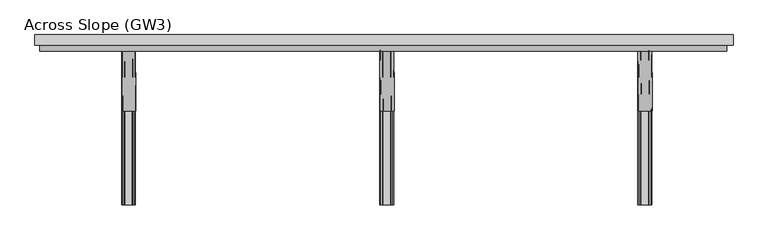
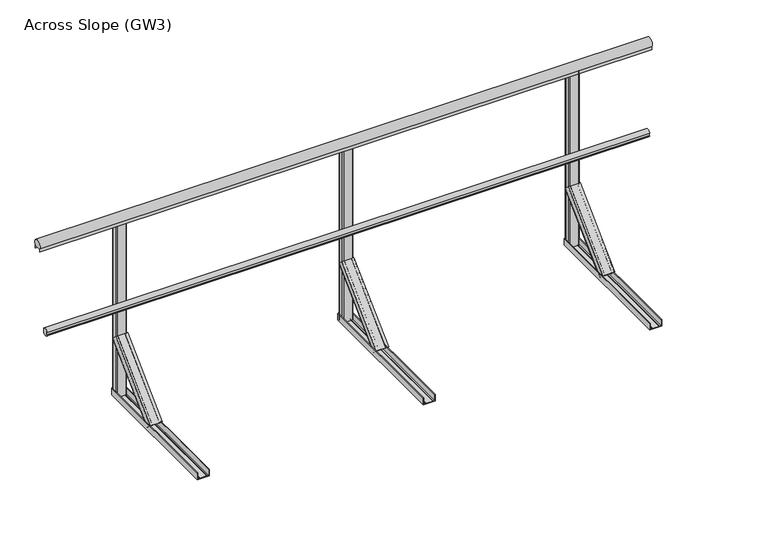
"""IFC4 building model written with IfcOpenShell, lengths in millimetres: railing geometry, Across Slope (GW3)."""

import ifcopenshell
import ifcopenshell.guid

model = None  # the IFC model being written
_history = None  # IfcOwnerHistory: only IFC2X3 demands one
_inside = {}  # id of a spatial element -> (the spatial element, [elements in it])
_under = {}  # id of a project, library or spatial element -> (it, [spatial elements below it])
_declared = {}  # id of a project -> (the project, [libraries it declares])
_typed = {}  # id of a type object -> (the type object, [elements of that type])
_made_of = {}  # id of a material, layer set ... -> (it, [elements and type objects made of it])


def new_model(schema):
    """Start an empty IFC model of exactly this schema.

    Asked for "IFC4X3", IfcOpenShell would pick the latest addendum, in which some entities
    have other attributes; the version numbers below select the first issue.
    IFC2X3 requires an IfcOwnerHistory on every rooted entity: one is made here for all.
    """
    global model, _history
    if schema == "IFC4X3":
        model = ifcopenshell.file(schema_version=(4, 3, 0, 0))
    else:
        model = ifcopenshell.file(schema=schema)
    _inside.clear()
    _under.clear()
    _declared.clear()
    _typed.clear()
    _made_of.clear()
    _history = None
    if model.schema == "IFC2X3":
        org = make("IfcOrganization", Name="unknown")
        user = make(
            "IfcPersonAndOrganization",
            ThePerson=make("IfcPerson", FamilyName="unknown"),
            TheOrganization=org,
        )
        app = make(
            "IfcApplication",
            ApplicationDeveloper=org,
            Version="unknown",
            ApplicationFullName="unknown",
            ApplicationIdentifier="unknown",
        )
        _history = make(
            "IfcOwnerHistory",
            OwningUser=user,
            OwningApplication=app,
            ChangeAction="ADDED",
            CreationDate=0,
        )
    return model


def make(cls, **values):
    """One entity of the class cls with the attributes given. An attribute that is None is left unset."""
    return model.create_entity(
        cls, **{name: value for name, value in values.items() if value is not None}
    )


def rooted(cls, **values):
    """An entity with a GlobalId (a new one), such as an element, a storey or a relation."""
    return make(cls, GlobalId=ifcopenshell.guid.new(), OwnerHistory=_history, **values)


def si_unit(unit_type, name, prefix=None):
    """IfcSIUnit, for example si_unit("LENGTHUNIT", "METRE", prefix="MILLI")."""
    return make("IfcSIUnit", UnitType=unit_type, Prefix=prefix, Name=name)


def assignment(units):
    """IfcUnitAssignment: the units of a project."""
    return None if units is None else make("IfcUnitAssignment", Units=units)


def point(xyz):
    """IfcCartesianPoint."""
    return None if xyz is None else make("IfcCartesianPoint", Coordinates=xyz)


def direction(xyz):
    """IfcDirection."""
    return None if xyz is None else make("IfcDirection", DirectionRatios=xyz)


def frame(location, z_axis=None, x_axis=None):
    """IfcAxis2Placement3D, a coordinate frame: its origin and axes. An axis left out is left unset."""
    return make(
        "IfcAxis2Placement3D",
        Location=point(location),
        Axis=direction(z_axis),
        RefDirection=direction(x_axis),
    )


def frame_2d(location, x_axis=None):
    """IfcAxis2Placement2D, a coordinate frame in the plane: its origin and x axis."""
    return make(
        "IfcAxis2Placement2D", Location=point(location), RefDirection=direction(x_axis)
    )


def origin():
    """The frame at (0, 0, 0) with its axes left unset."""
    return frame((0.0, 0.0, 0.0))


def origin_with_axes():
    """The frame at (0, 0, 0) with the z axis (0, 0, 1) and the x axis (1, 0, 0) written out."""
    return frame((0.0, 0.0, 0.0), z_axis=(0.0, 0.0, 1.0), x_axis=(1.0, 0.0, 0.0))


def place(relative_to, where):
    """IfcLocalPlacement: puts the frame where relative to a parent placement (None: the world)."""
    return make(
        "IfcLocalPlacement", PlacementRelTo=relative_to, RelativePlacement=where
    )


def context(
    kind, dimensions, precision=None, world=None, true_north=None, identifier=None
):
    """IfcGeometricRepresentationContext, for example the 3D "Model" context."""
    return make(
        "IfcGeometricRepresentationContext",
        ContextIdentifier=identifier,
        ContextType=kind,
        CoordinateSpaceDimension=dimensions,
        Precision=precision,
        WorldCoordinateSystem=world,
        TrueNorth=true_north,
    )


def project(units=None, contexts=None):
    """IfcProject with its units and contexts."""
    return rooted(
        "IfcProject",
        Name="project",
        RepresentationContexts=contexts,
        UnitsInContext=assignment(units),
    )


def spatial(cls, under=None, at=None, **own):
    """A site, building, storey or space (cls), placed at a placement, below another one or the project."""
    s = rooted(cls, ObjectPlacement=at, **own)
    if under is not None:
        _under.setdefault(under.id(), (under, []))[1].append(s)
    return s


def polyline(points):
    """IfcPolyline through the points."""
    return make("IfcPolyline", Points=[point(p) for p in points])


def circle_curve(where, radius):
    """IfcCircle in the frame where."""
    return make("IfcCircle", Position=where, Radius=radius)


def trimmed(basis, trim1, trim2, sense, master):
    """IfcTrimmedCurve: the piece of a basis curve between two trims."""
    return make(
        "IfcTrimmedCurve",
        BasisCurve=basis,
        Trim1=trim1,
        Trim2=trim2,
        SenseAgreement=sense,
        MasterRepresentation=master,
    )


def segment(curve, same_sense, transition):
    """IfcCompositeCurveSegment."""
    return make(
        "IfcCompositeCurveSegment",
        Transition=transition,
        SameSense=same_sense,
        ParentCurve=curve,
    )


def composite_curve(segments, self_intersect=None):
    """IfcCompositeCurve: segments joined end to end."""
    return make("IfcCompositeCurve", Segments=segments, SelfIntersect=self_intersect)


def outline(outer, holes=None, kind="AREA"):
    """IfcArbitraryClosedProfileDef: a profile drawn as a closed curve; with holes, ...WithVoids."""
    if holes is None:
        return make("IfcArbitraryClosedProfileDef", ProfileType=kind, OuterCurve=outer)
    return make(
        "IfcArbitraryProfileDefWithVoids",
        ProfileType=kind,
        OuterCurve=outer,
        InnerCurves=holes,
    )


def extrude(swept, where, along, depth):
    """IfcExtrudedAreaSolid: the profile swept, set in the frame where, extruded along a direction by depth."""
    return make(
        "IfcExtrudedAreaSolid",
        SweptArea=swept,
        Position=where,
        ExtrudedDirection=direction(along),
        Depth=depth,
    )


def shape(context_of_items, identifier, shape_type, items):
    """IfcShapeRepresentation: the items that make up one representation, for example the "Body"."""
    return make(
        "IfcShapeRepresentation",
        ContextOfItems=context_of_items,
        RepresentationIdentifier=identifier,
        RepresentationType=shape_type,
        Items=items,
    )


def source(mapping_origin, context_of_items, identifier, shape_type, items):
    """IfcRepresentationMap: a shape defined once, which mapped items show again and again."""
    return make(
        "IfcRepresentationMap",
        MappingOrigin=mapping_origin,
        MappedRepresentation=shape(context_of_items, identifier, shape_type, items),
    )


def transform(
    local_origin,
    x_axis=None,
    y_axis=None,
    z_axis=None,
    scale=None,
    scale2=None,
    scale3=None,
    uniform=True,
):
    """IfcCartesianTransformationOperator3D, or its non-uniform kind. x_axis, y_axis, z_axis: its Axis1, 2, 3."""
    if uniform:
        return make(
            "IfcCartesianTransformationOperator3D",
            Axis1=direction(x_axis),
            Axis2=direction(y_axis),
            LocalOrigin=point(local_origin),
            Scale=scale,
            Axis3=direction(z_axis),
        )
    return make(
        "IfcCartesianTransformationOperator3DnonUniform",
        Axis1=direction(x_axis),
        Axis2=direction(y_axis),
        LocalOrigin=point(local_origin),
        Scale=scale,
        Axis3=direction(z_axis),
        Scale2=scale2,
        Scale3=scale3,
    )


def mapped(mapping_source, mapping_target):
    """IfcMappedItem: shows the shape of a source again, moved by a transform."""
    return make(
        "IfcMappedItem", MappingSource=mapping_source, MappingTarget=mapping_target
    )


def made_of(thing, what):
    """Note that an element or type object is made of a material, layer set ...; save() writes the relation."""
    if what is not None:
        _made_of.setdefault(what.id(), (what, []))[1].append(thing)
    return thing


def element(
    cls,
    number,
    at=None,
    inside=None,
    cuts=None,
    type_object=None,
    material=None,
    context=None,
    identifier="Body",
    shape_type=None,
    held_by="IfcProductDefinitionShape",
    body=None,
    shapes=None,
    **own,
):
    """One element of the class cls, such as IfcWall. Its Tag is "e" and its number.

    at: its placement. inside: the storey or other place that contains it. cuts: it is an
    opening in that element (IfcRelVoidsElement). A single representation is given by context,
    identifier, shape_type and body (its items); several are given by shapes. held_by: the class
    of the entity that holds the representations. save() writes the other relations.
    """
    e = rooted(cls, Tag="e%d" % number, ObjectPlacement=at, **own)
    if body is not None:
        shapes = [shape(context, identifier, shape_type, body)]
    if shapes is not None:
        e.Representation = make(held_by, Representations=shapes)
    if inside is not None:
        _inside.setdefault(inside.id(), (inside, []))[1].append(e)
    if cuts is not None:
        rooted(
            "IfcRelVoidsElement", RelatingBuildingElement=cuts, RelatedOpeningElement=e
        )
    if type_object is not None:
        _typed.setdefault(type_object.id(), (type_object, []))[1].append(e)
    return made_of(e, material)


def aggregate(whole, parts):
    """IfcRelAggregates: a whole, such as a stair, and the parts it consists of."""
    return rooted("IfcRelAggregates", RelatingObject=whole, RelatedObjects=parts)


def save(model, path):
    """Write the relations noted so far, then the file.

    IfcRelAggregates (storeys below a building ...), IfcRelContainedInSpatialStructure (elements
    in a storey), IfcRelDefinesByType, IfcRelAssociatesMaterial and IfcRelDeclares: one each for
    every whole, place, type object, material and project.
    """
    for whole, parts in _under.values():
        aggregate(whole, parts)
    for where, things in _inside.values():
        rooted(
            "IfcRelContainedInSpatialStructure",
            RelatedElements=things,
            RelatingStructure=where,
        )
    for kind, things in _typed.values():
        rooted("IfcRelDefinesByType", RelatedObjects=things, RelatingType=kind)
    for what, things in _made_of.values():
        rooted("IfcRelAssociatesMaterial", RelatedObjects=things, RelatingMaterial=what)
    for by, libraries in _declared.values():
        rooted("IfcRelDeclares", RelatingContext=by, RelatedDefinitions=libraries)
    model.write(path)


def plane_surface(at):
    """IfcPlane: the flat surface through the origin of the frame at, square to its z axis."""
    return make("IfcPlane", Position=at)


def extruded_surface(curve, direction_of_extrusion, depth):
    """IfcSurfaceOfLinearExtrusion: the curve pushed along a direction by depth."""
    return make(
        "IfcSurfaceOfLinearExtrusion",
        SweptCurve=make("IfcArbitraryOpenProfileDef", ProfileType="CURVE", Curve=curve),
        ExtrudedDirection=direction(direction_of_extrusion),
        Depth=depth,
    )


def advanced_brep(points, edges, surfaces, faces):
    """IfcAdvancedBrep: a solid bounded by faces that lie on surfaces and meet in shared edges.

    An edge is (start, end): straight between two places in points (the first is 0);
    or (start, end, curve); or (start, end, curve, False) where it runs against its curve.
    A face is (place in surfaces, loops), or (place, loops, False) where it looks against
    its surface's normal. A loop lists edges by number (the first is 1), with a minus sign
    where the edge is run from its end to its start. The first loop is the outer one.
    """
    corners = [point(p) for p in points]
    vertices = [make("IfcVertexPoint", VertexGeometry=c) for c in corners]
    made = []
    for start, end, *more in edges:
        made.append(
            make(
                "IfcEdgeCurve",
                EdgeStart=vertices[start],
                EdgeEnd=vertices[end],
                EdgeGeometry=more[0] if more else make("IfcPolyline", Points=[corners[start], corners[end]]),
                SameSense=more[1] if len(more) > 1 else True,
            )
        )
    hull = []
    for where, loops, *sense in faces:
        bounds = []
        for j, loop in enumerate(loops):
            ring = [make("IfcOrientedEdge", EdgeElement=made[abs(k) - 1], Orientation=k > 0) for k in loop]
            bounds.append(
                make(
                    "IfcFaceOuterBound" if j == 0 else "IfcFaceBound",
                    Bound=make("IfcEdgeLoop", EdgeList=ring),
                    Orientation=True,
                )
            )
        hull.append(make("IfcAdvancedFace", Bounds=bounds, FaceSurface=surfaces[where], SameSense=sense[0] if sense else True))
    return make("IfcAdvancedBrep", Outer=make("IfcClosedShell", CfsFaces=hull))


def across_slope_gw3_31a3afc5(model_context):
    return source(origin(), model_context, "Body", "SolidModel", [
        extrude(outline(composite_curve([segment(polyline([(727.7, 520.617273), (731.7, 520.617273), (731.7, 535.382727), (727.7, 535.382727)]), True, "CONTINUOUS"), segment(trimmed(circle_curve(frame_2d((746.287505, 528.0)), 20.0), [point((727.7, 535.382727))], [point((762.0, 540.3740657))], False, "CARTESIAN"), True, "CONTINUOUS"), segment(polyline([(762.0, 540.3740657), (762.0, 515.6259343)]), True, "CONTINUOUS"), segment(trimmed(circle_curve(frame_2d((746.287505, 528.0)), 20.0), [point((762.0, 515.6259343))], [point((727.7, 520.617273))], False, "CARTESIAN"), True, "CONTINUOUS")], self_intersect=False)), frame((-393.0, 0.0, 0.0), z_axis=(1.0, 0.0, 0.0), x_axis=(0.0, 1.0, 0.0)), (0.0, 0.0, 1.0), 3253.0),
        extrude(outline(composite_curve([segment(polyline([(802.0, 1001.43534), (802.0, 983.0), (801.0, 983.0), (801.0, 998.0), (761.0, 998.0), (761.0, 983.0), (760.0, 983.0), (760.0, 1001.43534)]), True, "CONTINUOUS"), segment(trimmed(circle_curve(frame_2d((781.0, 1015.0)), 25.0), [point((760.0, 1001.43534))], [point((802.0, 1001.43534))], False, "CARTESIAN"), True, "CONTINUOUS")], self_intersect=False)), frame((-415.0, 0.0, 0.0), z_axis=(1.0, 0.0, 0.0), x_axis=(0.0, 1.0, 0.0)), (0.0, 0.0, 1.0), 3305.0),
        extrude(outline(composite_curve([segment(polyline([(1227.0, 800.0), (1273.0, 800.0)]), True, "CONTINUOUS"), segment(trimmed(circle_curve(frame_2d((1273.0, 795.0)), 5.0), [point((1273.0, 800.0))], [point((1278.0, 795.0))], False, "CARTESIAN"), True, "CONTINUOUS"), segment(polyline([(1278.0, 795.0), (1278.0, 767.0)]), True, "CONTINUOUS"), segment(trimmed(circle_curve(frame_2d((1273.0, 767.0)), 5.0), [point((1278.0, 767.0))], [point((1273.0, 762.0))], False, "CARTESIAN"), True, "CONTINUOUS"), segment(polyline([(1273.0, 762.0), (1227.0, 762.0)]), True, "CONTINUOUS"), segment(trimmed(circle_curve(frame_2d((1227.0, 767.0)), 5.0), [point((1227.0, 762.0))], [point((1222.0, 767.0))], False, "CARTESIAN"), True, "CONTINUOUS"), segment(polyline([(1222.0, 767.0), (1222.0, 795.0)]), True, "CONTINUOUS"), segment(trimmed(circle_curve(frame_2d((1227.0, 795.0)), 5.0), [point((1222.0, 795.0))], [point((1227.0, 800.0))], False, "CARTESIAN"), True, "CONTINUOUS")], self_intersect=False)), origin_with_axes(), (0.0, 0.0, 1.0), 998.0),
        advanced_brep(
        [(1285.5, 443.7912606, 38.0), (1220.5, 443.7912606, 38.0), (1220.5, 469.6006581, 12.1906025), (1223.5, 469.6006581, 12.1906025), (1223.5, 445.9125809, 35.8786797), (1233.5, 445.9125809, 35.8786797), (1233.5, 447.6803479, 34.1109127), (1234.5, 447.6803479, 34.1109127), (1234.5, 445.9125809, 35.8786797), (1271.5, 445.9125809, 35.8786797), (1271.5, 447.6803479, 34.1109127), (1272.5, 447.6803479, 34.1109127), (1272.5, 445.9125809, 35.8786797), (1282.5, 445.9125809, 35.8786797), (1282.5, 469.6006581, 12.1906025), (1285.5, 469.6006581, 12.1906025), (1282.5, 761.9893121, 356.1980516), (1282.5, 787.7987096, 330.3886541), (1279.5, 787.7987096, 330.3886541), (1279.5, 764.1106324, 354.0767312), (1269.5, 764.1106324, 354.0767312), (1269.5, 765.8783994, 352.3089643), (1268.5, 765.8783994, 352.3089643), (1268.5, 764.1106324, 354.0767312), (1231.5, 764.1106324, 354.0767312), (1231.5, 765.8783994, 352.3089643), (1230.5, 765.8783994, 352.3089643), (1230.5, 764.1106324, 354.0767312), (1220.5, 764.1106324, 354.0767312), (1220.5, 787.7987096, 330.3886541), (1217.5, 787.7987096, 330.3886541), (1217.5, 761.9893121, 356.1980516)],
        [
            (0, 1),
            (1, 2),
            (2, 3, circle_curve(frame((1222.0, 469.6006581, 12.1906025), z_axis=(0.0, -0.7071067811865529, -0.7071067811865422), x_axis=(0.0, 0.7071067811865422, -0.7071067811865529)), 1.5)),
            (3, 4),
            (4, 5),
            (5, 6),
            (6, 7, circle_curve(frame((1234.0, 447.6803479, 34.1109127), z_axis=(0.0, -0.7071067811865529, -0.7071067811865422), x_axis=(0.0, 0.7071067811865422, -0.7071067811865529)), 0.5)),
            (7, 8),
            (8, 9),
            (9, 10),
            (10, 11, circle_curve(frame((1272.0, 447.6803479, 34.1109127), z_axis=(0.0, -0.7071067811865529, -0.7071067811865422), x_axis=(0.0, 0.7071067811865422, -0.7071067811865529)), 0.5)),
            (11, 12),
            (12, 13),
            (13, 14),
            (14, 15, circle_curve(frame((1284.0, 469.6006581, 12.1906025), z_axis=(0.0, -0.7071067811865529, -0.7071067811865422), x_axis=(0.0, 0.7071067811865422, -0.7071067811865529)), 1.5)),
            (15, 0),
            (16, 17),
            (17, 18, circle_curve(frame((1281.0, 787.7987096, 330.3886541), z_axis=(0.0, 0.7071067811865529, 0.7071067811865422), x_axis=(0.0, 0.7071067811865422, -0.7071067811865529)), 1.5)),
            (18, 19),
            (19, 20),
            (20, 21),
            (21, 22, circle_curve(frame((1269.0, 765.8783994, 352.3089643), z_axis=(0.0, 0.7071067811865529, 0.7071067811865422), x_axis=(0.0, 0.7071067811865422, -0.7071067811865529)), 0.5)),
            (22, 23),
            (23, 24),
            (24, 25),
            (25, 26, circle_curve(frame((1231.0, 765.8783994, 352.3089643), z_axis=(0.0, 0.7071067811865529, 0.7071067811865422), x_axis=(0.0, 0.7071067811865422, -0.7071067811865529)), 0.5)),
            (26, 27),
            (27, 28),
            (28, 29),
            (29, 30, circle_curve(frame((1219.0, 787.7987096, 330.3886541), z_axis=(0.0, 0.7071067811865529, 0.7071067811865422), x_axis=(0.0, 0.7071067811865422, -0.7071067811865529)), 1.5)),
            (30, 31),
            (31, 16),
            (16, 0),
            (15, 17),
            (14, 18),
            (13, 19),
            (12, 20),
            (11, 21),
            (10, 22),
            (9, 23),
            (8, 24),
            (7, 25),
            (6, 26),
            (5, 27),
            (4, 28),
            (3, 29),
            (2, 30),
            (1, 31),
        ],
        [
            plane_surface(frame((1253.0, 452.0113769, 29.7798837), z_axis=(0.0, -0.7071067811865528, -0.7071067811865424), x_axis=(0.0, 0.7071067811865424, -0.7071067811865528))),
            plane_surface(frame((1250.0, 770.2094284, 347.9779352), z_axis=(0.0, 0.7071067811865528, 0.7071067811865422), x_axis=(0.0, 0.7071067811865422, -0.7071067811865528))),
            plane_surface(frame((1282.5, 774.8940109, 343.2933528), z_axis=(0.9999777785184911, 0.004713940454846682, 0.004713940454842173), x_axis=(0.0, 0.7071067811865424, -0.7071067811865528))),
            extruded_surface(trimmed(circle_curve(frame((1284.0, 469.6006581, 12.1906025), z_axis=(0.0, 0.7071067811865529, 0.7071067811865422), x_axis=(0.0, 0.7071067811865422, -0.7071067811865529)), 1.5), [point((1285.5, 469.6006581, 12.1906025))], [point((1282.5, 469.6006581, 12.1906025))], True, "CARTESIAN"), (-3.0, 318.1980515000001, 318.1980516), 450.00999991159415),
            plane_surface(frame((1279.5, 775.954671, 342.2326926), z_axis=(-0.9999777785184913, -0.004713940454846682, -0.004713940454842174), x_axis=(0.0, -0.7071067811865425, 0.7071067811865528))),
            plane_surface(frame((1274.5, 764.1106324, 354.0767312), z_axis=(0.0, 0.7071067811865427, -0.7071067811865523), x_axis=(-1.0, 0.0, 0.0))),
            plane_surface(frame((1269.5, 764.9945159, 353.1928478), z_axis=(0.9999777785184911, 0.0047139404548466575, 0.0047139404548422), x_axis=(0.0, 0.7071067811865461, -0.7071067811865489))),
            extruded_surface(trimmed(circle_curve(frame((1272.0, 447.6803479, 34.1109127), z_axis=(0.0, 0.7071067811865529, 0.7071067811865422), x_axis=(0.0, 0.7071067811865422, -0.7071067811865529)), 0.5), [point((1272.5, 447.6803479, 34.1109127))], [point((1271.5, 447.6803479, 34.1109127))], True, "CARTESIAN"), (-3.0, 318.1980515, 318.1980516), 450.0099999115941),
            plane_surface(frame((1268.5, 764.9945159, 353.1928478), z_axis=(-0.9999777785184911, -0.004713940454846672, -0.004713940454842214), x_axis=(0.0, -0.7071067811865461, 0.7071067811865489))),
            plane_surface(frame((1250.0, 764.1106324, 354.0767312), z_axis=(0.0, 0.7071067811865427, -0.7071067811865523), x_axis=(-1.0, 0.0, 0.0))),
            plane_surface(frame((1231.5, 764.9945159, 353.1928478), z_axis=(0.9999777785184911, 0.0047139404548466645, 0.004713940454842207), x_axis=(0.0, 0.7071067811865461, -0.7071067811865489))),
            extruded_surface(trimmed(circle_curve(frame((1234.0, 447.6803479, 34.1109127), z_axis=(0.0, 0.7071067811865529, 0.7071067811865422), x_axis=(0.0, 0.7071067811865422, -0.7071067811865529)), 0.5), [point((1234.5, 447.6803479, 34.1109127))], [point((1233.5, 447.6803479, 34.1109127))], True, "CARTESIAN"), (-3.0, 318.1980515, 318.1980516), 450.0099999115941),
            plane_surface(frame((1230.5, 764.9945159, 353.1928478), z_axis=(-0.9999777785184911, -0.004713940454846691, -0.004713940454842178), x_axis=(0.0, -0.7071067811865419, 0.7071067811865531))),
            plane_surface(frame((1225.5, 764.1106324, 354.0767312), z_axis=(0.0, 0.7071067811865425, -0.7071067811865526), x_axis=(-1.0, 0.0, 0.0))),
            plane_surface(frame((1220.5, 775.954671, 342.2326926), z_axis=(0.9999777785184913, 0.00471394045484669, 0.004713940454842181), x_axis=(0.0, 0.7071067811865425, -0.7071067811865528))),
            extruded_surface(trimmed(circle_curve(frame((1222.0, 469.6006581, 12.1906025), z_axis=(0.0, 0.7071067811865529, 0.7071067811865422), x_axis=(0.0, 0.7071067811865422, -0.7071067811865529)), 1.5), [point((1223.5, 469.6006581, 12.1906025))], [point((1220.5, 469.6006581, 12.1906025))], True, "CARTESIAN"), (-3.0, 318.1980515000001, 318.1980516), 450.00999991159415),
            plane_surface(frame((1217.5, 774.8940109, 343.2933528), z_axis=(-0.9999777785184911, -0.0047139404548466905, -0.004713940454842179), x_axis=(0.0, -0.7071067811865421, 0.7071067811865529))),
            plane_surface(frame((1250.0, 761.9893121, 356.1980516), z_axis=(0.0, -0.707106781186543, 0.707106781186552), x_axis=(1.0, 0.0, 0.0))),
        ],
        [
            (0, [[1, 2, 3, 4, 5, 6, 7, 8, 9, 10, 11, 12, 13, 14, 15, 16]]),
            (1, [[17, 18, 19, 20, 21, 22, 23, 24, 25, 26, 27, 28, 29, 30, 31, 32]]),
            (2, [[33, -16, 34, -17]]),
            (3, [[-34, -15, 35, -18]]),
            (4, [[-35, -14, 36, -19]]),
            (5, [[-36, -13, 37, -20]]),
            (6, [[-37, -12, 38, -21]]),
            (7, [[-38, -11, 39, -22]]),
            (8, [[-39, -10, 40, -23]]),
            (9, [[-40, -9, 41, -24]]),
            (10, [[-41, -8, 42, -25]]),
            (11, [[-42, -7, 43, -26]]),
            (12, [[-43, -6, 44, -27]]),
            (13, [[-44, -5, 45, -28]]),
            (14, [[-45, -4, 46, -29]]),
            (15, [[-46, -3, 47, -30]]),
            (16, [[-47, -2, 48, -31]]),
            (17, [[-48, -1, -33, -32]]),
        ],
    ),
        extrude(outline(composite_curve([segment(polyline([(0.0, 1282.5), (36.5, 1282.5)]), True, "CONTINUOUS"), segment(trimmed(circle_curve(frame_2d((36.5, 1281.0)), 1.5), [point((36.5, 1282.5))], [point((36.5, 1279.5))], False, "CARTESIAN"), True, "CONTINUOUS"), segment(polyline([(36.5, 1279.5), (3.0, 1279.5), (3.0, 1269.5), (5.5, 1269.5)]), True, "CONTINUOUS"), segment(trimmed(circle_curve(frame_2d((5.5, 1269.0)), 0.5), [point((5.5, 1269.5))], [point((5.5, 1268.5))], False, "CARTESIAN"), True, "CONTINUOUS"), segment(polyline([(5.5, 1268.5), (3.0, 1268.5), (3.0, 1231.5), (5.5, 1231.5)]), True, "CONTINUOUS"), segment(trimmed(circle_curve(frame_2d((5.5, 1231.0)), 0.5), [point((5.5, 1231.5))], [point((5.5, 1230.5))], False, "CARTESIAN"), True, "CONTINUOUS"), segment(polyline([(5.5, 1230.5), (3.0, 1230.5), (3.0, 1220.5), (36.5, 1220.5)]), True, "CONTINUOUS"), segment(trimmed(circle_curve(frame_2d((36.5, 1219.0)), 1.5), [point((36.5, 1220.5))], [point((36.5, 1217.5))], False, "CARTESIAN"), True, "CONTINUOUS"), segment(polyline([(36.5, 1217.5), (0.0, 1217.5), (0.0, 1282.5)]), True, "CONTINUOUS")], self_intersect=False)), frame((0.0, 0.0, 0.0), z_axis=(0.0, 1.0, 0.0), x_axis=(0.0, 0.0, 1.0)), (0.0, 0.0, 1.0), 800.0),
        extrude(outline(composite_curve([segment(polyline([(2449.0, 800.0), (2495.0, 800.0)]), True, "CONTINUOUS"), segment(trimmed(circle_curve(frame_2d((2495.0, 795.0)), 5.0), [point((2495.0, 800.0))], [point((2500.0, 795.0))], False, "CARTESIAN"), True, "CONTINUOUS"), segment(polyline([(2500.0, 795.0), (2500.0, 767.0)]), True, "CONTINUOUS"), segment(trimmed(circle_curve(frame_2d((2495.0, 767.0)), 5.0), [point((2500.0, 767.0))], [point((2495.0, 762.0))], False, "CARTESIAN"), True, "CONTINUOUS"), segment(polyline([(2495.0, 762.0), (2449.0, 762.0)]), True, "CONTINUOUS"), segment(trimmed(circle_curve(frame_2d((2449.0, 767.0)), 5.0), [point((2449.0, 762.0))], [point((2444.0, 767.0))], False, "CARTESIAN"), True, "CONTINUOUS"), segment(polyline([(2444.0, 767.0), (2444.0, 795.0)]), True, "CONTINUOUS"), segment(trimmed(circle_curve(frame_2d((2449.0, 795.0)), 5.0), [point((2444.0, 795.0))], [point((2449.0, 800.0))], False, "CARTESIAN"), True, "CONTINUOUS")], self_intersect=False)), origin_with_axes(), (0.0, 0.0, 1.0), 998.0),
        advanced_brep(
        [(2507.5, 443.7912606, 38.0), (2442.5, 443.7912606, 38.0), (2442.5, 469.6006581, 12.1906025), (2445.5, 469.6006581, 12.1906025), (2445.5, 445.9125809, 35.8786797), (2455.5, 445.9125809, 35.8786797), (2455.5, 447.6803479, 34.1109127), (2456.5, 447.6803479, 34.1109127), (2456.5, 445.9125809, 35.8786797), (2493.5, 445.9125809, 35.8786797), (2493.5, 447.6803479, 34.1109127), (2494.5, 447.6803479, 34.1109127), (2494.5, 445.9125809, 35.8786797), (2504.5, 445.9125809, 35.8786797), (2504.5, 469.6006581, 12.1906025), (2507.5, 469.6006581, 12.1906025), (2504.5, 761.9893121, 356.1980516), (2504.5, 787.7987096, 330.3886541), (2501.5, 787.7987096, 330.3886541), (2501.5, 764.1106324, 354.0767312), (2491.5, 764.1106324, 354.0767312), (2491.5, 765.8783994, 352.3089643), (2490.5, 765.8783994, 352.3089643), (2490.5, 764.1106324, 354.0767312), (2453.5, 764.1106324, 354.0767312), (2453.5, 765.8783994, 352.3089643), (2452.5, 765.8783994, 352.3089643), (2452.5, 764.1106324, 354.0767312), (2442.5, 764.1106324, 354.0767312), (2442.5, 787.7987096, 330.3886541), (2439.5, 787.7987096, 330.3886541), (2439.5, 761.9893121, 356.1980516)],
        [
            (0, 1),
            (1, 2),
            (2, 3, circle_curve(frame((2444.0, 469.6006581, 12.1906025), z_axis=(0.0, -0.7071067811865529, -0.7071067811865422), x_axis=(0.0, 0.7071067811865422, -0.7071067811865529)), 1.5)),
            (3, 4),
            (4, 5),
            (5, 6),
            (6, 7, circle_curve(frame((2456.0, 447.6803479, 34.1109127), z_axis=(0.0, -0.7071067811865529, -0.7071067811865422), x_axis=(0.0, 0.7071067811865422, -0.7071067811865529)), 0.5)),
            (7, 8),
            (8, 9),
            (9, 10),
            (10, 11, circle_curve(frame((2494.0, 447.6803479, 34.1109127), z_axis=(0.0, -0.7071067811865529, -0.7071067811865422), x_axis=(0.0, 0.7071067811865422, -0.7071067811865529)), 0.5)),
            (11, 12),
            (12, 13),
            (13, 14),
            (14, 15, circle_curve(frame((2506.0, 469.6006581, 12.1906025), z_axis=(0.0, -0.7071067811865529, -0.7071067811865422), x_axis=(0.0, 0.7071067811865422, -0.7071067811865529)), 1.5)),
            (15, 0),
            (16, 17),
            (17, 18, circle_curve(frame((2503.0, 787.7987096, 330.3886541), z_axis=(0.0, 0.7071067811865529, 0.7071067811865422), x_axis=(0.0, 0.7071067811865422, -0.7071067811865529)), 1.5)),
            (18, 19),
            (19, 20),
            (20, 21),
            (21, 22, circle_curve(frame((2491.0, 765.8783994, 352.3089643), z_axis=(0.0, 0.7071067811865529, 0.7071067811865422), x_axis=(0.0, 0.7071067811865422, -0.7071067811865529)), 0.5)),
            (22, 23),
            (23, 24),
            (24, 25),
            (25, 26, circle_curve(frame((2453.0, 765.8783994, 352.3089643), z_axis=(0.0, 0.7071067811865529, 0.7071067811865422), x_axis=(0.0, 0.7071067811865422, -0.7071067811865529)), 0.5)),
            (26, 27),
            (27, 28),
            (28, 29),
            (29, 30, circle_curve(frame((2441.0, 787.7987096, 330.3886541), z_axis=(0.0, 0.7071067811865529, 0.7071067811865422), x_axis=(0.0, 0.7071067811865422, -0.7071067811865529)), 1.5)),
            (30, 31),
            (31, 16),
            (16, 0),
            (15, 17),
            (14, 18),
            (13, 19),
            (12, 20),
            (11, 21),
            (10, 22),
            (9, 23),
            (8, 24),
            (7, 25),
            (6, 26),
            (5, 27),
            (4, 28),
            (3, 29),
            (2, 30),
            (1, 31),
        ],
        [
            plane_surface(frame((2475.0, 452.0113769, 29.7798837), z_axis=(0.0, -0.7071067811865528, -0.7071067811865424), x_axis=(0.0, 0.7071067811865424, -0.7071067811865528))),
            plane_surface(frame((2472.0, 770.2094284, 347.9779352), z_axis=(0.0, 0.7071067811865528, 0.7071067811865422), x_axis=(0.0, 0.7071067811865422, -0.7071067811865528))),
            plane_surface(frame((2504.5, 774.8940109, 343.2933528), z_axis=(0.9999777785184912, 0.004713940454838001, 0.004713940454842175), x_axis=(0.0, 0.7071067811865424, -0.7071067811865528))),
            extruded_surface(trimmed(circle_curve(frame((2506.0, 469.6006581, 12.1906025), z_axis=(0.0, 0.7071067811865529, 0.7071067811865422), x_axis=(0.0, 0.7071067811865422, -0.7071067811865529)), 1.5), [point((2507.5, 469.6006581, 12.1906025))], [point((2504.5, 469.6006581, 12.1906025))], True, "CARTESIAN"), (-3.0, 318.1980515000001, 318.1980516), 450.00999991159415),
            plane_surface(frame((2501.5, 775.954671, 342.2326927), z_axis=(-0.9999777785184913, -0.0047139404548379995, -0.004713940454842174), x_axis=(0.0, -0.7071067811865425, 0.7071067811865528))),
            plane_surface(frame((2496.5, 764.1106324, 354.0767312), z_axis=(0.0, 0.7071067811865427, -0.7071067811865523), x_axis=(-1.0, 0.0, 0.0))),
            plane_surface(frame((2491.5, 764.9945159, 353.1928478), z_axis=(0.9999777785184911, 0.004713940454837976, 0.0047139404548422), x_axis=(0.0, 0.7071067811865461, -0.7071067811865489))),
            extruded_surface(trimmed(circle_curve(frame((2494.0, 447.6803479, 34.1109127), z_axis=(0.0, 0.7071067811865529, 0.7071067811865422), x_axis=(0.0, 0.7071067811865422, -0.7071067811865529)), 0.5), [point((2494.5, 447.6803479, 34.1109127))], [point((2493.5, 447.6803479, 34.1109127))], True, "CARTESIAN"), (-3.0, 318.1980515, 318.1980516), 450.0099999115941),
            plane_surface(frame((2490.5, 764.9945159, 353.1928478), z_axis=(-0.9999777785184911, -0.00471394045483799, -0.004713940454842214), x_axis=(0.0, -0.7071067811865461, 0.7071067811865489))),
            plane_surface(frame((2472.0, 764.1106324, 354.0767312), z_axis=(0.0, 0.7071067811865427, -0.7071067811865523), x_axis=(-1.0, 0.0, 0.0))),
            plane_surface(frame((2453.5, 764.9945159, 353.1928478), z_axis=(0.9999777785184911, 0.004713940454837982, 0.004713940454842207), x_axis=(0.0, 0.7071067811865461, -0.7071067811865489))),
            extruded_surface(trimmed(circle_curve(frame((2456.0, 447.6803479, 34.1109127), z_axis=(0.0, 0.7071067811865529, 0.7071067811865422), x_axis=(0.0, 0.7071067811865422, -0.7071067811865529)), 0.5), [point((2456.5, 447.6803479, 34.1109127))], [point((2455.5, 447.6803479, 34.1109127))], True, "CARTESIAN"), (-3.0, 318.1980515, 318.1980516), 450.0099999115941),
            plane_surface(frame((2452.5, 764.9945159, 353.1928478), z_axis=(-0.9999777785184911, -0.004713940454838009, -0.004713940454842178), x_axis=(0.0, -0.7071067811865419, 0.7071067811865531))),
            plane_surface(frame((2447.5, 764.1106324, 354.0767312), z_axis=(0.0, 0.7071067811865425, -0.7071067811865526), x_axis=(-1.0, 0.0, 0.0))),
            plane_surface(frame((2442.5, 775.954671, 342.2326927), z_axis=(0.9999777785184913, 0.004713940454838007, 0.004713940454842181), x_axis=(0.0, 0.7071067811865425, -0.7071067811865528))),
            extruded_surface(trimmed(circle_curve(frame((2444.0, 469.6006581, 12.1906025), z_axis=(0.0, 0.7071067811865529, 0.7071067811865422), x_axis=(0.0, 0.7071067811865422, -0.7071067811865529)), 1.5), [point((2445.5, 469.6006581, 12.1906025))], [point((2442.5, 469.6006581, 12.1906025))], True, "CARTESIAN"), (-3.0, 318.1980515000001, 318.1980516), 450.00999991159415),
            plane_surface(frame((2439.5, 774.8940109, 343.2933528), z_axis=(-0.9999777785184911, -0.004713940454838008, -0.00471394045484218), x_axis=(0.0, -0.7071067811865421, 0.7071067811865529))),
            plane_surface(frame((2472.0, 761.9893121, 356.1980516), z_axis=(0.0, -0.707106781186543, 0.707106781186552), x_axis=(1.0, 0.0, 0.0))),
        ],
        [
            (0, [[1, 2, 3, 4, 5, 6, 7, 8, 9, 10, 11, 12, 13, 14, 15, 16]]),
            (1, [[17, 18, 19, 20, 21, 22, 23, 24, 25, 26, 27, 28, 29, 30, 31, 32]]),
            (2, [[33, -16, 34, -17]]),
            (3, [[-34, -15, 35, -18]]),
            (4, [[-35, -14, 36, -19]]),
            (5, [[-36, -13, 37, -20]]),
            (6, [[-37, -12, 38, -21]]),
            (7, [[-38, -11, 39, -22]]),
            (8, [[-39, -10, 40, -23]]),
            (9, [[-40, -9, 41, -24]]),
            (10, [[-41, -8, 42, -25]]),
            (11, [[-42, -7, 43, -26]]),
            (12, [[-43, -6, 44, -27]]),
            (13, [[-44, -5, 45, -28]]),
            (14, [[-45, -4, 46, -29]]),
            (15, [[-46, -3, 47, -30]]),
            (16, [[-47, -2, 48, -31]]),
            (17, [[-48, -1, -33, -32]]),
        ],
    ),
        extrude(outline(composite_curve([segment(polyline([(0.0, 2504.5), (36.5, 2504.5)]), True, "CONTINUOUS"), segment(trimmed(circle_curve(frame_2d((36.5, 2503.0)), 1.5), [point((36.5, 2504.5))], [point((36.5, 2501.5))], False, "CARTESIAN"), True, "CONTINUOUS"), segment(polyline([(36.5, 2501.5), (3.0, 2501.5), (3.0, 2491.5), (5.5, 2491.5)]), True, "CONTINUOUS"), segment(trimmed(circle_curve(frame_2d((5.5, 2491.0)), 0.5), [point((5.5, 2491.5))], [point((5.5, 2490.5))], False, "CARTESIAN"), True, "CONTINUOUS"), segment(polyline([(5.5, 2490.5), (3.0, 2490.5), (3.0, 2453.5), (5.5, 2453.5)]), True, "CONTINUOUS"), segment(trimmed(circle_curve(frame_2d((5.5, 2453.0)), 0.5), [point((5.5, 2453.5))], [point((5.5, 2452.5))], False, "CARTESIAN"), True, "CONTINUOUS"), segment(polyline([(5.5, 2452.5), (3.0, 2452.5), (3.0, 2442.5), (36.5, 2442.5)]), True, "CONTINUOUS"), segment(trimmed(circle_curve(frame_2d((36.5, 2441.0)), 1.5), [point((36.5, 2442.5))], [point((36.5, 2439.5))], False, "CARTESIAN"), True, "CONTINUOUS"), segment(polyline([(36.5, 2439.5), (0.0, 2439.5), (0.0, 2504.5)]), True, "CONTINUOUS")], self_intersect=False)), frame((0.0, 0.0, 0.0), z_axis=(0.0, 1.0, 0.0), x_axis=(0.0, 0.0, 1.0)), (0.0, 0.0, 1.0), 800.0),
        extrude(outline(composite_curve([segment(polyline([(5.0, 800.0), (51.0, 800.0)]), True, "CONTINUOUS"), segment(trimmed(circle_curve(frame_2d((51.0, 795.0)), 5.0), [point((51.0, 800.0))], [point((56.0, 795.0))], False, "CARTESIAN"), True, "CONTINUOUS"), segment(polyline([(56.0, 795.0), (56.0, 767.0)]), True, "CONTINUOUS"), segment(trimmed(circle_curve(frame_2d((51.0, 767.0)), 5.0), [point((56.0, 767.0))], [point((51.0, 762.0))], False, "CARTESIAN"), True, "CONTINUOUS"), segment(polyline([(51.0, 762.0), (5.0, 762.0)]), True, "CONTINUOUS"), segment(trimmed(circle_curve(frame_2d((5.0, 767.0)), 5.0), [point((5.0, 762.0))], [point((0.0, 767.0))], False, "CARTESIAN"), True, "CONTINUOUS"), segment(polyline([(0.0, 767.0), (0.0, 795.0)]), True, "CONTINUOUS"), segment(trimmed(circle_curve(frame_2d((5.0, 795.0)), 5.0), [point((0.0, 795.0))], [point((5.0, 800.0))], False, "CARTESIAN"), True, "CONTINUOUS")], self_intersect=False)), origin_with_axes(), (0.0, 0.0, 1.0), 998.0),
        advanced_brep(
        [(63.5, 443.7912606, 38.0), (-1.5, 443.7912606, 38.0), (-1.5, 469.6006581, 12.1906025), (1.5, 469.6006581, 12.1906025), (1.5, 445.9125809, 35.8786797), (11.5, 445.9125809, 35.8786797), (11.5, 447.6803479, 34.1109127), (12.5, 447.6803479, 34.1109127), (12.5, 445.9125809, 35.8786797), (49.5, 445.9125809, 35.8786797), (49.5, 447.6803479, 34.1109127), (50.5, 447.6803479, 34.1109127), (50.5, 445.9125809, 35.8786797), (60.5, 445.9125809, 35.8786797), (60.5, 469.6006581, 12.1906025), (63.5, 469.6006581, 12.1906025), (60.5, 761.9893121, 356.1980515), (60.5, 787.7987096, 330.388654), (57.5, 787.7987096, 330.388654), (57.5, 764.1106324, 354.0767312), (47.5, 764.1106324, 354.0767312), (47.5, 765.8783994, 352.3089642), (46.5, 765.8783994, 352.3089642), (46.5, 764.1106324, 354.0767312), (9.5, 764.1106324, 354.0767312), (9.5, 765.8783994, 352.3089642), (8.5, 765.8783994, 352.3089642), (8.5, 764.1106324, 354.0767312), (-1.5, 764.1106324, 354.0767312), (-1.5, 787.7987096, 330.388654), (-4.5, 787.7987096, 330.388654), (-4.5, 761.9893121, 356.1980515)],
        [
            (0, 1),
            (1, 2),
            (2, 3, circle_curve(frame((0.0, 469.6006581, 12.1906025), z_axis=(0.0, -0.7071067811865529, -0.7071067811865422), x_axis=(0.0, 0.7071067811865422, -0.7071067811865529)), 1.5)),
            (3, 4),
            (4, 5),
            (5, 6),
            (6, 7, circle_curve(frame((12.0, 447.6803479, 34.1109127), z_axis=(0.0, -0.7071067811865529, -0.7071067811865422), x_axis=(0.0, 0.7071067811865422, -0.7071067811865529)), 0.5)),
            (7, 8),
            (8, 9),
            (9, 10),
            (10, 11, circle_curve(frame((50.0, 447.6803479, 34.1109127), z_axis=(0.0, -0.7071067811865529, -0.7071067811865422), x_axis=(0.0, 0.7071067811865422, -0.7071067811865529)), 0.5)),
            (11, 12),
            (12, 13),
            (13, 14),
            (14, 15, circle_curve(frame((62.0, 469.6006581, 12.1906025), z_axis=(0.0, -0.7071067811865529, -0.7071067811865422), x_axis=(0.0, 0.7071067811865422, -0.7071067811865529)), 1.5)),
            (15, 0),
            (16, 17),
            (17, 18, circle_curve(frame((59.0, 787.7987096, 330.388654), z_axis=(0.0, 0.7071067811865529, 0.7071067811865422), x_axis=(0.0, 0.7071067811865422, -0.7071067811865529)), 1.5)),
            (18, 19),
            (19, 20),
            (20, 21),
            (21, 22, circle_curve(frame((47.0, 765.8783994, 352.3089642), z_axis=(0.0, 0.7071067811865529, 0.7071067811865422), x_axis=(0.0, 0.7071067811865422, -0.7071067811865529)), 0.5)),
            (22, 23),
            (23, 24),
            (24, 25),
            (25, 26, circle_curve(frame((9.0, 765.8783994, 352.3089642), z_axis=(0.0, 0.7071067811865529, 0.7071067811865422), x_axis=(0.0, 0.7071067811865422, -0.7071067811865529)), 0.5)),
            (26, 27),
            (27, 28),
            (28, 29),
            (29, 30, circle_curve(frame((-3.0, 787.7987096, 330.388654), z_axis=(0.0, 0.7071067811865529, 0.7071067811865422), x_axis=(0.0, 0.7071067811865422, -0.7071067811865529)), 1.5)),
            (30, 31),
            (31, 16),
            (16, 0),
            (15, 17),
            (14, 18),
            (13, 19),
            (12, 20),
            (11, 21),
            (10, 22),
            (9, 23),
            (8, 24),
            (7, 25),
            (6, 26),
            (5, 27),
            (4, 28),
            (3, 29),
            (2, 30),
            (1, 31),
        ],
        [
            plane_surface(frame((31.0, 452.0113769, 29.7798837), z_axis=(0.0, -0.7071067811865528, -0.7071067811865424), x_axis=(0.0, 0.7071067811865424, -0.7071067811865528))),
            plane_surface(frame((28.0, 770.2094284, 347.9779352), z_axis=(0.0, 0.7071067811865528, 0.7071067811865422), x_axis=(0.0, 0.7071067811865422, -0.7071067811865528))),
            plane_surface(frame((60.5, 774.8940109, 343.2933528), z_axis=(0.9999777785184911, 0.004713940454845338, 0.004713940454842174), x_axis=(0.0, 0.7071067811865424, -0.7071067811865528))),
            extruded_surface(trimmed(circle_curve(frame((62.0, 469.6006581, 12.1906025), z_axis=(0.0, 0.7071067811865529, 0.7071067811865422), x_axis=(0.0, 0.7071067811865422, -0.7071067811865529)), 1.5), [point((63.5, 469.6006581, 12.1906025))], [point((60.5, 469.6006581, 12.1906025))], True, "CARTESIAN"), (-3.0, 318.1980515000001, 318.19805149999996), 450.00999984088503),
            plane_surface(frame((57.5, 775.954671, 342.2326926), z_axis=(-0.9999777785184913, -0.004713940454845338, -0.004713940454842175), x_axis=(0.0, -0.7071067811865425, 0.7071067811865528))),
            plane_surface(frame((52.5, 764.1106324, 354.0767312), z_axis=(0.0, 0.7071067811865427, -0.7071067811865523), x_axis=(-1.0, 0.0, 0.0))),
            plane_surface(frame((47.5, 764.9945159, 353.1928477), z_axis=(0.9999777785184911, 0.004713940454845314, 0.004713940454842201), x_axis=(0.0, 0.7071067811865461, -0.7071067811865489))),
            extruded_surface(trimmed(circle_curve(frame((50.0, 447.6803479, 34.1109127), z_axis=(0.0, 0.7071067811865529, 0.7071067811865422), x_axis=(0.0, 0.7071067811865422, -0.7071067811865529)), 0.5), [point((50.5, 447.6803479, 34.1109127))], [point((49.5, 447.6803479, 34.1109127))], True, "CARTESIAN"), (-3.0, 318.1980515, 318.1980515), 450.00999984088503),
            plane_surface(frame((46.5, 764.9945159, 353.1928477), z_axis=(-0.9999777785184911, -0.004713940454845328, -0.004713940454842215), x_axis=(0.0, -0.7071067811865461, 0.7071067811865489))),
            plane_surface(frame((28.0, 764.1106324, 354.0767312), z_axis=(0.0, 0.7071067811865427, -0.7071067811865523), x_axis=(-1.0, 0.0, 0.0))),
            plane_surface(frame((9.5, 764.9945159, 353.1928477), z_axis=(0.9999777785184911, 0.004713940454845321, 0.004713940454842208), x_axis=(0.0, 0.7071067811865461, -0.7071067811865489))),
            extruded_surface(trimmed(circle_curve(frame((12.0, 447.6803479, 34.1109127), z_axis=(0.0, 0.7071067811865529, 0.7071067811865422), x_axis=(0.0, 0.7071067811865422, -0.7071067811865529)), 0.5), [point((12.5, 447.6803479, 34.1109127))], [point((11.5, 447.6803479, 34.1109127))], True, "CARTESIAN"), (-3.0, 318.1980515, 318.1980515), 450.00999984088503),
            plane_surface(frame((8.5, 764.9945159, 353.1928477), z_axis=(-0.9999777785184911, -0.004713940454845348, -0.0047139404548421785), x_axis=(0.0, -0.7071067811865419, 0.7071067811865531))),
            plane_surface(frame((3.5, 764.1106324, 354.0767312), z_axis=(0.0, 0.7071067811865425, -0.7071067811865526), x_axis=(-1.0, 0.0, 0.0))),
            plane_surface(frame((-1.5, 775.954671, 342.2326926), z_axis=(0.9999777785184913, 0.004713940454845345, 0.004713940454842182), x_axis=(0.0, 0.7071067811865425, -0.7071067811865528))),
            extruded_surface(trimmed(circle_curve(frame((0.0, 469.6006581, 12.1906025), z_axis=(0.0, 0.7071067811865529, 0.7071067811865422), x_axis=(0.0, 0.7071067811865422, -0.7071067811865529)), 1.5), [point((1.5, 469.6006581, 12.1906025))], [point((-1.5, 469.6006581, 12.1906025))], True, "CARTESIAN"), (-3.0, 318.1980515000001, 318.19805149999996), 450.00999984088503),
            plane_surface(frame((-4.5, 774.8940109, 343.2933528), z_axis=(-0.9999777785184911, -0.004713940454845347, -0.00471394045484218), x_axis=(0.0, -0.7071067811865421, 0.7071067811865529))),
            plane_surface(frame((28.0, 761.9893121, 356.1980515), z_axis=(0.0, -0.707106781186543, 0.707106781186552), x_axis=(1.0, 0.0, 0.0))),
        ],
        [
            (0, [[1, 2, 3, 4, 5, 6, 7, 8, 9, 10, 11, 12, 13, 14, 15, 16]]),
            (1, [[17, 18, 19, 20, 21, 22, 23, 24, 25, 26, 27, 28, 29, 30, 31, 32]]),
            (2, [[33, -16, 34, -17]]),
            (3, [[-34, -15, 35, -18]]),
            (4, [[-35, -14, 36, -19]]),
            (5, [[-36, -13, 37, -20]]),
            (6, [[-37, -12, 38, -21]]),
            (7, [[-38, -11, 39, -22]]),
            (8, [[-39, -10, 40, -23]]),
            (9, [[-40, -9, 41, -24]]),
            (10, [[-41, -8, 42, -25]]),
            (11, [[-42, -7, 43, -26]]),
            (12, [[-43, -6, 44, -27]]),
            (13, [[-44, -5, 45, -28]]),
            (14, [[-45, -4, 46, -29]]),
            (15, [[-46, -3, 47, -30]]),
            (16, [[-47, -2, 48, -31]]),
            (17, [[-48, -1, -33, -32]]),
        ],
    ),
        extrude(outline(composite_curve([segment(polyline([(0.0, 60.5), (36.5, 60.5)]), True, "CONTINUOUS"), segment(trimmed(circle_curve(frame_2d((36.5, 59.0)), 1.5), [point((36.5, 60.5))], [point((36.5, 57.5))], False, "CARTESIAN"), True, "CONTINUOUS"), segment(polyline([(36.5, 57.5), (3.0, 57.5), (3.0, 47.5), (5.5, 47.5)]), True, "CONTINUOUS"), segment(trimmed(circle_curve(frame_2d((5.5, 47.0)), 0.5), [point((5.5, 47.5))], [point((5.5, 46.5))], False, "CARTESIAN"), True, "CONTINUOUS"), segment(polyline([(5.5, 46.5), (3.0, 46.5), (3.0, 9.5), (5.5, 9.5)]), True, "CONTINUOUS"), segment(trimmed(circle_curve(frame_2d((5.5, 9.0)), 0.5), [point((5.5, 9.5))], [point((5.5, 8.5))], False, "CARTESIAN"), True, "CONTINUOUS"), segment(polyline([(5.5, 8.5), (3.0, 8.5), (3.0, -1.5), (36.5, -1.5)]), True, "CONTINUOUS"), segment(trimmed(circle_curve(frame_2d((36.5, -3.0)), 1.5), [point((36.5, -1.5))], [point((36.5, -4.5))], False, "CARTESIAN"), True, "CONTINUOUS"), segment(polyline([(36.5, -4.5), (0.0, -4.5), (0.0, 60.5)]), True, "CONTINUOUS")], self_intersect=False)), frame((0.0, 0.0, 0.0), z_axis=(0.0, 1.0, 0.0), x_axis=(0.0, 0.0, 1.0)), (0.0, 0.0, 1.0), 800.0),
    ])


if __name__ == "__main__":
    model = new_model("IFC4")
    model_context = context("Model", 3, world=origin())
    ifc_project = project(units=[si_unit("LENGTHUNIT", "METRE", prefix="MILLI")], contexts=[model_context])
    site = spatial("IfcSite", under=ifc_project)
    building = spatial("IfcBuilding", under=site)
    placement = place(None, origin())
    across_slope_gw3_shape = across_slope_gw3_31a3afc5(model_context)
    element("IfcRailing", 1, ObjectType="Across Slope (GW3)", at=placement, inside=building, context=model_context, shape_type="MappedRepresentation", body=[
        mapped(across_slope_gw3_shape, transform((0.0, 0.0, 0.0), x_axis=(1.0, 0.0, 0.0), y_axis=(0.0, 1.0, 0.0), z_axis=(0.0, 0.0, 1.0))),
    ])
    save(model, "model.ifc")
